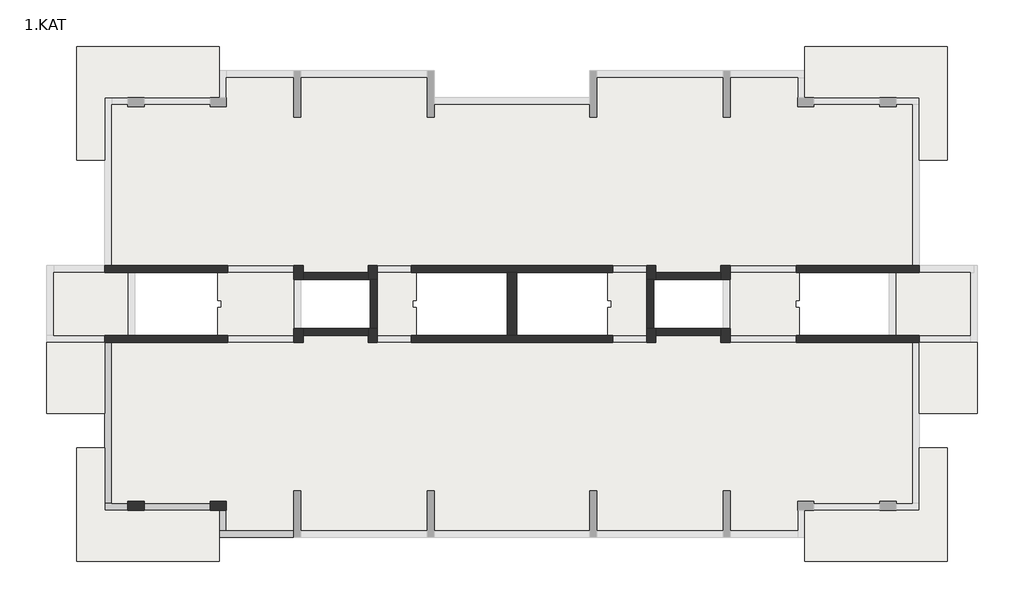
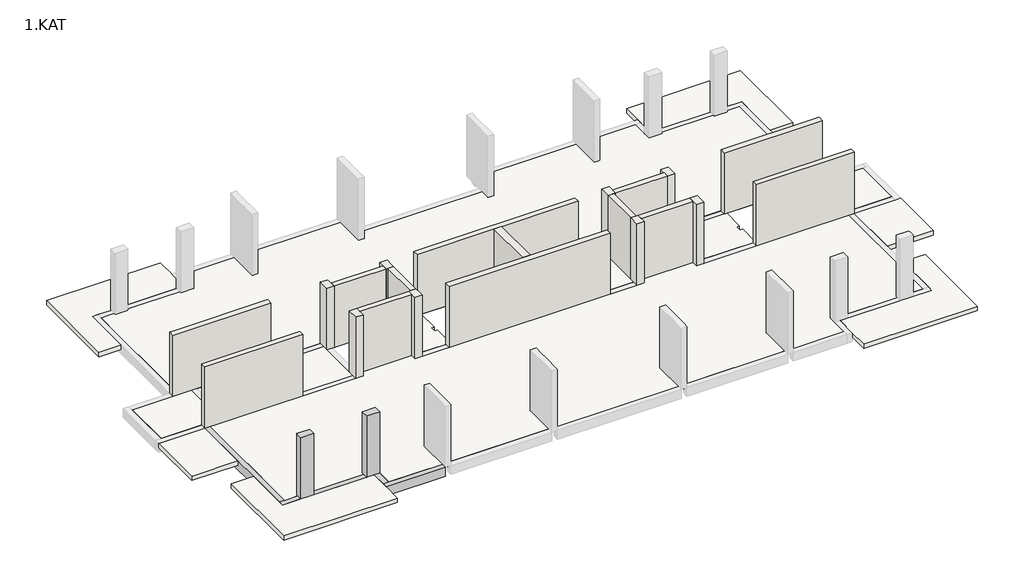
# One storey, part 1 of 2: 21 walls, 13 slabs, 5 beams, 2 columns.
"""IFC4 building model written with IfcOpenShell, lengths in millimetres."""

from ifc_helpers import new_model, si_unit, frame, origin, place, context, project, spatial, polyline, outline, extrude, faceted_brep, element, save

model = new_model("IFC4")

# Units and contexts
model_context = context("Model", 3, world=origin())
ifc_project = project(units=[si_unit("LENGTHUNIT", "METRE", prefix="MILLI")], contexts=[model_context])

# Site, building, storey
site = spatial("IfcSite", under=ifc_project)
building = spatial("IfcBuilding", under=site)
storey = spatial("IfcBuildingStorey", under=building, Name="1.KAT", Elevation=3000.0)

# Beams
placement = place(None, origin())
element("IfcBeam", 1, ObjectType="0300x0500mm", at=placement, inside=storey, context=model_context, shape_type="Brep", body=[
    faceted_brep([(-9113.9170084, -8086.2657952, 3000.0), (-9113.9170084, -7786.2657952, 3000.0), (-12013.8842187, -7786.2657952, 3000.0), (-12313.8842187, -7786.2657952, 3000.0), (-12313.8842187, -8086.2657952, 3000.0), (-9113.9170084, -7786.2657952, 2500.0), (-12013.8842187, -7786.2657952, 2500.0), (-12313.8842187, -7786.2657952, 2500.0), (-9113.9170084, -8086.2657952, 2500.0), (-12313.8842187, -8086.2657952, 2500.0)], [[[0, 1, 2, 3, 4]], [[1, 5, 6, 7, 3, 2]], [[5, 8, 9, 7, 6]], [[8, 0, 4, 9]], [[0, 8, 5, 1]], [[4, 3, 7, 9]]]),
])
element("IfcBeam", 2, ObjectType="0300x0500mm", at=placement, inside=storey, context=model_context, shape_type="Brep", body=[
    faceted_brep([(-12013.8842187, -6936.2658055, 3000.0), (-12313.8842187, -6936.2658055, 3000.0), (-12313.8842187, -7786.2657952, 3000.0), (-12013.8842187, -7786.2657952, 3000.0), (-12013.8842187, -7786.2657952, 2750.0), (-12013.8842187, -7786.2657952, 2500.0), (-12013.8842187, -6936.2658055, 2500.0), (-12013.8842187, -6936.2658055, 2750.0), (-12313.8842187, -6936.2658055, 2500.0), (-12313.8842187, -7786.2657952, 2500.0)], [[[0, 1, 2, 3]], [[0, 3, 4, 5, 6, 7]], [[8, 6, 5, 9]], [[1, 8, 9, 2]], [[1, 0, 7, 6, 8]], [[3, 2, 9, 5, 4]]]),
])
element("IfcBeam", 3, ObjectType="0300x0500mm", at=placement, inside=storey, context=model_context, shape_type="Brep", body=[
    faceted_brep([(-15563.8842187, -6936.2657952, 3000.0), (-12713.8827493, -6936.2657952, 3000.0), (-12713.8827493, -6636.2657952, 3000.0), (-15563.8842187, -6636.2657952, 3000.0), (-12713.8827493, -6636.2657952, 2750.0), (-12713.8827493, -6636.2657952, 2500.0), (-15563.8842187, -6636.2657952, 2500.0), (-15563.8842187, -6636.2657952, 2750.0), (-12713.8827493, -6936.2657952, 2500.0), (-15563.8842187, -6936.2657952, 2500.0), (-15563.8842187, -6936.2657952, 2750.0), (-12713.8827493, -6936.2657952, 2750.0)], [[[0, 1, 2, 3]], [[3, 2, 4, 5, 6, 7]], [[6, 5, 8, 9]], [[1, 0, 10, 9, 8, 11]], [[0, 3, 7, 6, 9, 10]], [[8, 5, 4, 2, 1, 11]]]),
])
element("IfcBeam", 4, ObjectType="0300x0500mm", at=placement, inside=storey, context=model_context, shape_type="Brep", body=[
    faceted_brep([(-16263.9165349, -6936.2657952, 3000.0), (-16263.9165349, -6636.2657952, 3000.0), (-16963.9160614, -6636.2657952, 3000.0), (-17263.9481409, -6636.2657952, 3000.0), (-17263.9481409, -6936.2657952, 3000.0), (-16263.9165349, -6636.2657952, 2500.0), (-16963.9481409, -6636.2657952, 2500.0), (-17263.9481409, -6636.2657952, 2500.0), (-17263.9481409, -6636.2657952, 2750.0), (-16263.9165349, -6636.2657952, 2750.0), (-16263.9165349, -6936.2657952, 2500.0), (-17263.9481409, -6936.2657952, 2500.0), (-17263.9481409, -6936.2657952, 2750.0), (-16263.9165349, -6936.2657952, 2750.0)], [[[0, 1, 2, 3, 4]], [[5, 6, 7, 8, 3, 2, 1, 9]], [[5, 10, 11, 7, 6]], [[0, 4, 12, 11, 10, 13]], [[10, 5, 9, 1, 0, 13]], [[4, 3, 8, 7, 11, 12]]]),
])
element("IfcBeam", 5, ObjectType="0300x0500mm", at=placement, inside=storey, context=model_context, shape_type="Brep", body=[
    faceted_brep([(-16963.9481409, 313.7342048, 3000.0), (-17263.9481409, 313.7342048, 3000.0), (-17263.9481409, -2761.2658013, 3000.0), (-17263.9481409, -4236.2658351, 3000.0), (-17263.9481409, -6636.2657952, 3000.0), (-16963.9481409, -6636.2657952, 3000.0), (-17263.9481409, 313.7342048, 2750.0), (-17263.9481409, 313.7342048, 2500.0), (-17263.9481409, -6636.2657952, 2500.0), (-17263.9481409, -6636.2657952, 2750.0), (-16963.9481409, 313.7342048, 2500.0), (-16963.9481409, -6636.2657952, 2500.0), (-16963.9481409, 313.7342048, 2750.0), (-16963.9481409, -6636.2657952, 2750.0)], [[[0, 1, 2, 3, 4, 5]], [[1, 6, 7, 8, 9, 4, 3, 2]], [[7, 10, 11, 8]], [[10, 12, 0, 5, 13, 11]], [[1, 0, 12, 10, 7, 6]], [[5, 4, 9, 8, 11, 13]]]),
])

# Columns
element("IfcColumn", 6, ObjectType="0700x0400mm", at=placement, inside=storey, context=model_context, shape_type="Brep", body=[
    faceted_brep([(-15563.9481409, -6536.2657952, 3000.0), (-15563.9481409, -6936.2657952, 3000.0), (-16263.9481409, -6936.2657952, 3000.0), (-16263.9481409, -6536.2657952, 3000.0), (-15563.9481409, -6536.2657952, 6250.0), (-15563.9481409, -6536.2657952, 6500.0), (-15563.9481409, -6636.2657952, 6500.0), (-15563.9481409, -6936.2657952, 6500.0), (-15563.9481409, -6936.2657952, 6000.0), (-16263.9481409, -6936.2657952, 6500.0), (-16263.9481409, -6636.2657952, 6500.0), (-16263.9481409, -6536.2657952, 6500.0), (-16263.9481409, -6536.2657952, 6250.0)], [[[0, 1, 2, 3]], [[1, 0, 4, 5, 6, 7, 8]], [[2, 1, 8, 7, 9]], [[3, 2, 9, 10, 11, 12]], [[0, 3, 12, 11, 5, 4]], [[9, 7, 6, 5, 11, 10]]]),
])
element("IfcColumn", 7, ObjectType="0700x0400mm", at=placement, inside=storey, context=model_context, shape_type="Brep", body=[
    faceted_brep([(-12013.9481409, -6536.2657952, 3000.0), (-12013.9481409, -6936.2657952, 3000.0), (-12713.9481409, -6936.2657952, 3000.0), (-12713.9481409, -6536.2657952, 3000.0), (-12013.9481409, -6536.2657952, 6250.0), (-12013.9481409, -6536.2657952, 6500.0), (-12013.9481409, -6936.2657952, 6500.0), (-12013.9481409, -6936.2657952, 6250.0), (-12713.9481409, -6936.2657952, 6500.0), (-12713.9481409, -6936.2657952, 6000.0), (-12713.9481409, -6636.2657952, 6500.0), (-12713.9481409, -6536.2657952, 6500.0), (-12713.9481409, -6536.2657952, 6250.0)], [[[0, 1, 2, 3]], [[1, 0, 4, 5, 6, 7]], [[2, 1, 7, 6, 8, 9]], [[3, 2, 9, 8, 10, 11, 12]], [[0, 3, 12, 11, 5, 4]], [[6, 5, 11, 10, 8]]]),
])

# Slabs
element("IfcSlab", 8, at=placement, inside=storey, context=model_context, shape_type="Brep", body=[
    faceted_brep([(-12313.9158961, 13063.7340343, 2750.0), (-12313.9158961, 10863.7341698, 2750.0), (-17263.9481409, 10863.7341698, 2750.0), (-17263.9481409, 8163.7342045, 2750.0), (-18463.945225, 8163.7342045, 2750.0), (-18463.945225, 13063.7340343, 2750.0), (-12313.9158961, 13063.7340343, 3000.0), (-18463.945225, 13063.7340343, 3000.0), (-18463.945225, 8163.7342045, 3000.0), (-17263.9481409, 8163.7342045, 3000.0), (-17263.9481409, 10863.7341698, 3000.0), (-16963.9481409, 10863.7341698, 3000.0), (-16263.8827493, 10863.7341698, 3000.0), (-15563.885688, 10863.7341698, 3000.0), (-12713.8842187, 10863.7341698, 3000.0), (-12313.9158961, 10863.7341698, 3000.0), (-12313.9158961, 12013.7341837, 3000.0)], [[[0, 1, 2, 3, 4, 5]], [[6, 7, 8, 9, 10, 11, 12, 13, 14, 15, 16]], [[1, 0, 6, 16, 15]], [[2, 1, 15, 14, 13, 12, 11, 10]], [[3, 2, 10, 9]], [[4, 3, 9, 8]], [[5, 4, 8, 7]], [[0, 5, 7, 6]]]),
])
element("IfcSlab", 9, at=placement, inside=storey, context=model_context, shape_type="Brep", body=[
    faceted_brep([(-17263.9481409, -2761.2658013, 2750.0), (-19763.9449611, -2761.2658013, 2750.0), (-19763.9449611, 313.7342048, 2750.0), (-17263.9481409, 313.7342048, 2750.0), (-17263.9481409, -2761.2658013, 3000.0), (-17263.9481409, 313.7342048, 3000.0), (-19763.9449611, 313.7342048, 3000.0), (-19763.9449611, -2761.2658013, 3000.0)], [[[0, 1, 2, 3]], [[4, 5, 6, 7]], [[1, 0, 4, 7]], [[2, 1, 7, 6]], [[3, 2, 6, 5]], [[0, 3, 5, 4]]]),
    faceted_brep([(17836.0513856, -2761.2658013, 2750.0), (17836.0513856, 313.7342048, 2750.0), (20335.9894835, 313.7342048, 2750.0), (20335.9894835, -2761.2658013, 2750.0), (17836.0513856, -2761.2658013, 3000.0), (20335.9894835, -2761.2658013, 3000.0), (20335.9894835, 313.7342048, 3000.0), (20036.0506847, 313.7342048, 3000.0), (17836.5510351, 313.7342048, 3000.0), (17836.0513856, 313.7342048, 3000.0)], [[[0, 1, 2, 3]], [[4, 5, 6, 7, 8, 9]], [[1, 0, 4, 9]], [[2, 1, 9, 8, 7, 6]], [[3, 2, 6, 5]], [[0, 3, 5, 4]]]),
])
element("IfcSlab", 10, at=placement, inside=storey, context=model_context, shape_type="Brep", body=[
    faceted_brep([(-16263.9481409, 10563.7341669, 2750.0), (-16263.9481409, 10463.7341808, 2750.0), (-15563.9481409, 10463.7341808, 2750.0), (-15563.9481409, 10563.7341669, 2750.0), (-12713.9481409, 10563.7341669, 2750.0), (-12713.9481409, 10463.7341808, 2750.0), (-12013.9481409, 10463.7341808, 2750.0), (-12013.9481409, 11713.7202124, 2750.0), (-9113.9486144, 11713.7202124, 2750.0), (-9113.9486144, 10013.7339345, 2750.0), (-8813.9486144, 10013.7339345, 2750.0), (-8813.9486144, 11713.7202124, 2750.0), (-3363.9486144, 11713.7202124, 2750.0), (-3363.9486144, 10013.7339345, 2750.0), (-3063.9486144, 10013.7339345, 2750.0), (-3063.9486144, 10563.7341808, 2750.0), (3636.0846397, 10563.7341808, 2750.0), (3636.0846397, 10013.7339345, 2750.0), (3936.0846397, 10013.7339345, 2750.0), (3936.0846397, 11713.7202124, 2750.0), (9386.0513856, 11713.7202124, 2750.0), (9386.0513856, 10013.7339345, 2750.0), (9686.0513856, 10013.7339345, 2750.0), (9686.0513856, 11713.7202124, 2750.0), (12586.0195429, 11713.7202124, 2750.0), (12586.0195429, 10463.7341808, 2750.0), (13286.0518591, 10463.7341808, 2750.0), (13286.0518591, 10563.7341808, 2750.0), (16136.0518591, 10563.7341808, 2750.0), (16136.0518591, 10463.7341808, 2750.0), (16836.0518591, 10463.7341808, 2750.0), (16836.0518591, 10563.7341808, 2750.0), (17536.0197797, 10563.7341808, 2750.0), (17536.0197797, 3613.7341808, 2750.0), (9286.0515745, 3613.7341808, 2750.0), (9286.0515745, 3313.750976, 2750.0), (6486.0513856, 3313.750976, 2750.0), (6486.0513856, 3613.7341808, 2750.0), (-5913.9408939, 3613.7341808, 2750.0), (-5913.9408939, 3313.7471666, 2750.0), (-8713.9486144, 3313.7471666, 2750.0), (-8713.9486144, 3613.7341818, 2750.0), (-16963.9481409, 3613.7341818, 2750.0), (-16963.9481409, 10563.7341669, 2750.0), (-16263.9481409, 10563.7341669, 3000.0), (-16963.9481409, 10563.7341669, 3000.0), (-16963.9481409, 3613.7341818, 3000.0), (-11963.4325746, 3613.7341818, 3000.0), (-9113.9486144, 3613.7341818, 3000.0), (-8713.9486144, 3613.7341818, 3000.0), (-8713.9486144, 3313.7471666, 3000.0), (-5913.9408939, 3313.7471666, 3000.0), (-5913.9408939, 3613.7341808, 3000.0), (-5513.9408939, 3613.7341808, 3000.0), (-4063.9295487, 3613.7341808, 3000.0), (4636.5672109, 3613.7341808, 3000.0), (6086.0513856, 3613.7341808, 3000.0), (6486.0513856, 3613.7341808, 3000.0), (6486.0513856, 3313.750976, 3000.0), (9286.0515745, 3313.750976, 3000.0), (9286.0515745, 3613.7341808, 3000.0), (17536.0197797, 3613.7341808, 3000.0), (17536.0197797, 10563.7341808, 3000.0), (16836.0518591, 10563.7341808, 3000.0), (16836.0518591, 10463.7341808, 3000.0), (16136.0518591, 10463.7341808, 3000.0), (16136.0518591, 10563.7341808, 3000.0), (13286.0518591, 10563.7341808, 3000.0), (13286.0518591, 10463.7341808, 3000.0), (12586.0195429, 10463.7341808, 3000.0), (12586.0195429, 10863.7344588, 3000.0), (12586.0195429, 11713.7202124, 3000.0), (9686.0513856, 11713.7202124, 3000.0), (9686.0513856, 10013.7339345, 3000.0), (9386.0513856, 10013.7339345, 3000.0), (9386.0513856, 11713.7202124, 3000.0), (3936.0846397, 11713.7202124, 3000.0), (3936.0846397, 10013.7339345, 3000.0), (3636.0846397, 10013.7339345, 3000.0), (3636.0846397, 10563.7341808, 3000.0), (-3063.9486144, 10563.7341808, 3000.0), (-3063.9486144, 10013.7339345, 3000.0), (-3363.9486144, 10013.7339345, 3000.0), (-3363.9486144, 11713.7202124, 3000.0), (-8813.9486144, 11713.7202124, 3000.0), (-8813.9486144, 10013.7339345, 3000.0), (-9113.9486144, 10013.7339345, 3000.0), (-9113.9486144, 11713.7202124, 3000.0), (-12013.9481409, 11713.7202124, 3000.0), (-12013.9481409, 10863.7341838, 3000.0), (-12013.9481409, 10463.7341808, 3000.0), (-12713.9481409, 10463.7341808, 3000.0), (-12713.9481409, 10563.7341669, 3000.0), (-15563.9481409, 10563.7341669, 3000.0), (-15563.9481409, 10463.7341808, 3000.0), (-16263.9481409, 10463.7341808, 3000.0)], [[[0, 1, 2, 3, 4, 5, 6, 7, 8, 9, 10, 11, 12, 13, 14, 15, 16, 17, 18, 19, 20, 21, 22, 23, 24, 25, 26, 27, 28, 29, 30, 31, 32, 33, 34, 35, 36, 37, 38, 39, 40, 41, 42, 43]], [[44, 45, 46, 47, 48, 49, 50, 51, 52, 53, 54, 55, 56, 57, 58, 59, 60, 61, 62, 63, 64, 65, 66, 67, 68, 69, 70, 71, 72, 73, 74, 75, 76, 77, 78, 79, 80, 81, 82, 83, 84, 85, 86, 87, 88, 89, 90, 91, 92, 93, 94, 95]], [[1, 0, 44, 95]], [[2, 1, 95, 94]], [[3, 2, 94, 93]], [[4, 3, 93, 92]], [[5, 4, 92, 91]], [[6, 5, 91, 90]], [[7, 6, 90, 89, 88]], [[8, 7, 88, 87]], [[9, 8, 87, 86]], [[10, 9, 86, 85]], [[11, 10, 85, 84]], [[12, 11, 84, 83]], [[13, 12, 83, 82]], [[14, 13, 82, 81]], [[15, 14, 81, 80]], [[16, 15, 80, 79]], [[17, 16, 79, 78]], [[18, 17, 78, 77]], [[19, 18, 77, 76]], [[20, 19, 76, 75]], [[21, 20, 75, 74]], [[22, 21, 74, 73]], [[23, 22, 73, 72]], [[24, 23, 72, 71]], [[25, 24, 71, 70, 69]], [[26, 25, 69, 68]], [[27, 26, 68, 67]], [[28, 27, 67, 66]], [[29, 28, 66, 65]], [[30, 29, 65, 64]], [[31, 30, 64, 63]], [[32, 31, 63, 62]], [[33, 32, 62, 61]], [[34, 33, 61, 60]], [[35, 34, 60, 59]], [[36, 35, 59, 58]], [[37, 36, 58, 57]], [[38, 37, 57, 56, 55, 54, 53, 52]], [[39, 38, 52, 51]], [[40, 39, 51, 50]], [[41, 40, 50, 49]], [[42, 41, 49, 48, 47, 46]], [[43, 42, 46, 45]], [[0, 43, 45, 44]]]),
])
element("IfcSlab", 11, at=placement, inside=storey, context=model_context, shape_type="Brep", body=[
    faceted_brep([(-8713.9486144, 313.7342048, 2750.0), (-8713.9486144, 613.7303849, 2750.0), (-5913.9408939, 613.7303849, 2750.0), (-5913.9408939, 313.7391534, 2750.0), (6486.0513856, 313.7391534, 2750.0), (6486.0513856, 613.7391534, 2750.0), (9286.0515745, 613.7391534, 2750.0), (9286.0515745, 313.7342048, 2750.0), (17536.0197797, 313.7342048, 2750.0), (17536.0197797, -6636.2658004, 2750.0), (16836.0518591, -6636.2658004, 2750.0), (16836.0518591, -6536.2657952, 2750.0), (16136.0518591, -6536.2657952, 2750.0), (16136.0518591, -6636.2658004, 2750.0), (13286.0518591, -6636.2658004, 2750.0), (13286.0518591, -6536.2657952, 2750.0), (12586.0518591, -6536.2657952, 2750.0), (12586.0518591, -7786.2657952, 2750.0), (9686.0513856, -7786.2657952, 2750.0), (9686.0513856, -6086.2657952, 2750.0), (9386.0513856, -6086.2657952, 2750.0), (9386.0513856, -7786.2657952, 2750.0), (3936.0846397, -7786.2657952, 2750.0), (3936.0846397, -6086.2657952, 2750.0), (3636.0846397, -6086.2657952, 2750.0), (3636.0846397, -7786.2657952, 2750.0), (-3063.9486144, -7786.2657952, 2750.0), (-3063.9486144, -6086.2657952, 2750.0), (-3363.9486144, -6086.2657952, 2750.0), (-3363.9486144, -7786.2657952, 2750.0), (-8813.9486144, -7786.2657952, 2750.0), (-8813.9486144, -6086.2657952, 2750.0), (-9113.9486144, -6086.2657952, 2750.0), (-9113.9486144, -7786.2657952, 2750.0), (-12013.9158247, -7786.2657952, 2750.0), (-12013.9158247, -6536.2657952, 2750.0), (-12713.9481409, -6536.2657952, 2750.0), (-12713.9481409, -6636.2657952, 2750.0), (-15563.9481409, -6636.2657952, 2750.0), (-15563.9481409, -6536.2657952, 2750.0), (-16263.9481409, -6536.2657952, 2750.0), (-16263.9481409, -6636.2657952, 2750.0), (-16963.9160614, -6636.2657952, 2750.0), (-16963.9160614, 313.7342048, 2750.0), (-8713.9486144, 313.7342048, 3000.0), (-9113.9486144, 313.7342048, 3000.0), (-11963.4161844, 313.7342048, 3000.0), (-16963.9160614, 313.7342048, 3000.0), (-16963.9160614, -6636.2657952, 3000.0), (-16263.9481409, -6636.2657952, 3000.0), (-16263.9481409, -6536.2657952, 3000.0), (-15563.9481409, -6536.2657952, 3000.0), (-15563.9481409, -6636.2657952, 3000.0), (-12713.9481409, -6636.2657952, 3000.0), (-12713.9481409, -6536.2657952, 3000.0), (-12013.9158247, -6536.2657952, 3000.0), (-12013.9158247, -6936.2657952, 3000.0), (-12013.9158247, -7786.2657952, 3000.0), (-9113.9486144, -7786.2657952, 3000.0), (-9113.9486144, -6086.2657952, 3000.0), (-8813.9486144, -6086.2657952, 3000.0), (-8813.9486144, -7786.2657952, 3000.0), (-3363.9486144, -7786.2657952, 3000.0), (-3363.9486144, -6086.2657952, 3000.0), (-3063.9486144, -6086.2657952, 3000.0), (-3063.9486144, -7786.2657952, 3000.0), (3636.0846397, -7786.2657952, 3000.0), (3636.0846397, -6086.2657952, 3000.0), (3936.0846397, -6086.2657952, 3000.0), (3936.0846397, -7786.2657952, 3000.0), (9386.0513856, -7786.2657952, 3000.0), (9386.0513856, -6086.2657952, 3000.0), (9686.0513856, -6086.2657952, 3000.0), (9686.0513856, -7786.2657952, 3000.0), (12586.0518591, -7786.2657952, 3000.0), (12586.0518591, -6936.2657952, 3000.0), (12586.0518591, -6536.2657952, 3000.0), (13286.0518591, -6536.2657952, 3000.0), (13286.0518591, -6636.2658004, 3000.0), (16136.0518591, -6636.2658004, 3000.0), (16136.0518591, -6536.2657952, 3000.0), (16836.0518591, -6536.2657952, 3000.0), (16836.0518591, -6636.2658004, 3000.0), (17536.0197797, -6636.2658004, 3000.0), (17536.0197797, 313.7342048, 3000.0), (12536.0671886, 313.7342048, 3000.0), (9686.0671886, 313.7342048, 3000.0), (9286.0515745, 313.7342048, 3000.0), (9286.0515745, 613.7391534, 3000.0), (6486.0513856, 613.7391534, 3000.0), (6486.0513856, 313.7391534, 3000.0), (6086.0513856, 313.7391534, 3000.0), (4636.5672109, 313.7391534, 3000.0), (-4063.9295487, 313.7391534, 3000.0), (-5513.9408939, 313.7391534, 3000.0), (-5913.9408939, 313.7391534, 3000.0), (-5913.9408939, 613.7303849, 3000.0), (-8713.9486144, 613.7303849, 3000.0)], [[[0, 1, 2, 3, 4, 5, 6, 7, 8, 9, 10, 11, 12, 13, 14, 15, 16, 17, 18, 19, 20, 21, 22, 23, 24, 25, 26, 27, 28, 29, 30, 31, 32, 33, 34, 35, 36, 37, 38, 39, 40, 41, 42, 43]], [[44, 45, 46, 47, 48, 49, 50, 51, 52, 53, 54, 55, 56, 57, 58, 59, 60, 61, 62, 63, 64, 65, 66, 67, 68, 69, 70, 71, 72, 73, 74, 75, 76, 77, 78, 79, 80, 81, 82, 83, 84, 85, 86, 87, 88, 89, 90, 91, 92, 93, 94, 95, 96, 97]], [[1, 0, 44, 97]], [[2, 1, 97, 96]], [[3, 2, 96, 95]], [[4, 3, 95, 94, 93, 92, 91, 90]], [[5, 4, 90, 89]], [[6, 5, 89, 88]], [[7, 6, 88, 87]], [[8, 7, 87, 86, 85, 84]], [[9, 8, 84, 83]], [[10, 9, 83, 82]], [[11, 10, 82, 81]], [[12, 11, 81, 80]], [[13, 12, 80, 79]], [[14, 13, 79, 78]], [[15, 14, 78, 77]], [[16, 15, 77, 76]], [[17, 16, 76, 75, 74]], [[18, 17, 74, 73]], [[19, 18, 73, 72]], [[20, 19, 72, 71]], [[21, 20, 71, 70]], [[22, 21, 70, 69]], [[23, 22, 69, 68]], [[24, 23, 68, 67]], [[25, 24, 67, 66]], [[26, 25, 66, 65]], [[27, 26, 65, 64]], [[28, 27, 64, 63]], [[29, 28, 63, 62]], [[30, 29, 62, 61]], [[31, 30, 61, 60]], [[32, 31, 60, 59]], [[33, 32, 59, 58]], [[34, 33, 58, 57]], [[35, 34, 57, 56, 55]], [[36, 35, 55, 54]], [[37, 36, 54, 53]], [[38, 37, 53, 52]], [[39, 38, 52, 51]], [[40, 39, 51, 50]], [[41, 40, 50, 49]], [[42, 41, 49, 48]], [[43, 42, 48, 47]], [[0, 43, 47, 46, 45, 44]]]),
])
element("IfcSlab", 12, at=placement, inside=storey, context=model_context, shape_type="Brep", body=[
    faceted_brep([(-16263.9481409, 3313.7341847, 2750.0), (-16263.9481409, 613.7342048, 2750.0), (-19463.9153604, 613.7342048, 2750.0), (-19463.9153604, 3313.7341847, 2750.0), (-16263.9481409, 3313.7341847, 3000.0), (-17263.9481409, 3313.7341847, 3000.0), (-19463.9153604, 3313.7341847, 3000.0), (-19463.9153604, 613.7342048, 3000.0), (-17263.9481409, 613.7342048, 3000.0), (-16263.9481409, 613.7342048, 3000.0)], [[[0, 1, 2, 3]], [[4, 5, 6, 7, 8, 9]], [[1, 0, 4, 9]], [[2, 1, 9, 8, 7]], [[3, 2, 7, 6]], [[0, 3, 6, 5, 4]]]),
])
element("IfcSlab", 13, at=placement, inside=storey, context=model_context, shape_type="Brep", body=[
    faceted_brep([(-9113.9486144, 3313.7341837, 2750.0), (-9113.9486144, 613.7342048, 2750.0), (-12393.9153604, 613.7342048, 2750.0), (-12393.9153604, 1813.7341847, 2750.0), (-12243.9153604, 1813.7341847, 2750.0), (-12243.9153604, 2113.7341847, 2750.0), (-12393.9153604, 2113.7341847, 2750.0), (-12393.9153604, 3313.7341837, 2750.0), (-9113.9486144, 3313.7341837, 3000.0), (-11963.4325746, 3313.7341837, 3000.0), (-12393.9153604, 3313.7341837, 3000.0), (-12393.9153604, 2113.7341847, 3000.0), (-12243.9153604, 2113.7341847, 3000.0), (-12243.9153604, 1813.7341847, 3000.0), (-12393.9153604, 1813.7341847, 3000.0), (-12393.9153604, 613.7342048, 3000.0), (-11963.4161844, 613.7342048, 3000.0), (-9113.9486144, 613.7342048, 3000.0), (-9113.9486144, 913.7303849, 3000.0), (-9113.9486144, 3013.7471696, 3000.0)], [[[0, 1, 2, 3, 4, 5, 6, 7]], [[8, 9, 10, 11, 12, 13, 14, 15, 16, 17, 18, 19]], [[1, 0, 8, 19, 18, 17]], [[2, 1, 17, 16, 15]], [[3, 2, 15, 14]], [[0, 7, 10, 9, 8]], [[4, 3, 14, 13]], [[5, 4, 13, 12]], [[6, 5, 12, 11]], [[7, 6, 11, 10]]]),
])
element("IfcSlab", 14, at=placement, inside=storey, context=model_context, shape_type="Brep", body=[
    faceted_brep([(9686.0513856, 3313.7341847, 2750.0), (12666.0846401, 3313.7341847, 2750.0), (12666.0846401, 2113.7341847, 2750.0), (12516.0846401, 2113.7341847, 2750.0), (12516.0846401, 1813.7341847, 2750.0), (12666.0846401, 1813.7341847, 2750.0), (12666.0846401, 613.7341847, 2750.0), (9686.0513856, 613.7341847, 2750.0), (9686.0513856, 3313.7341847, 3000.0), (9686.0513856, 3013.2296444, 3000.0), (9686.0513856, 914.2296444, 3000.0), (9686.0513856, 613.7341847, 3000.0), (12666.0846401, 613.7341847, 3000.0), (12666.0846401, 1813.7341847, 3000.0), (12516.0846401, 1813.7341847, 3000.0), (12516.0846401, 2113.7341847, 3000.0), (12666.0846401, 2113.7341847, 3000.0), (12666.0846401, 3313.7341847, 3000.0)], [[[0, 1, 2, 3, 4, 5, 6, 7]], [[8, 9, 10, 11, 12, 13, 14, 15, 16, 17]], [[0, 7, 11, 10, 9, 8]], [[7, 6, 12, 11]], [[6, 5, 13, 12]], [[1, 0, 8, 17]], [[5, 4, 14, 13]], [[4, 3, 15, 14]], [[3, 2, 16, 15]], [[2, 1, 17, 16]]]),
])
element("IfcSlab", 15, at=placement, inside=storey, context=model_context, shape_type="Brep", body=[
    faceted_brep([(-5513.9470928, 3313.7352433, 2750.0), (-3833.9153602, 3313.7352433, 2750.0), (-3833.9153602, 2113.7341847, 2750.0), (-3983.9153602, 2113.7341847, 2750.0), (-3983.9153602, 1813.7341847, 2750.0), (-3833.9153602, 1813.7341847, 2750.0), (-3833.9153602, 613.7381043, 2750.0), (-5513.9470928, 613.7381043, 2750.0), (-5513.9470928, 3313.7352433, 3000.0), (-5513.9470928, 613.7381043, 3000.0), (-4063.9295487, 613.7381043, 3000.0), (-3833.9153602, 613.7381043, 3000.0), (-3833.9153602, 1813.7341847, 3000.0), (-3983.9153602, 1813.7341847, 3000.0), (-3983.9153602, 2113.7341847, 3000.0), (-3833.9153602, 2113.7341847, 3000.0), (-3833.9153602, 3313.7352433, 3000.0), (-4063.9295487, 3313.7352433, 3000.0)], [[[0, 1, 2, 3, 4, 5, 6, 7]], [[8, 9, 10, 11, 12, 13, 14, 15, 16, 17]], [[1, 0, 8, 17, 16]], [[2, 1, 16, 15]], [[3, 2, 15, 14]], [[4, 3, 14, 13]], [[5, 4, 13, 12]], [[6, 5, 12, 11]], [[7, 6, 11, 10, 9]], [[0, 7, 9, 8]]]),
])
element("IfcSlab", 16, at=placement, inside=storey, context=model_context, shape_type="Brep", body=[
    faceted_brep([(6086.0498641, 3313.7352433, 2750.0), (6086.0498641, 613.7381043, 2750.0), (4406.0181314, 613.7381043, 2750.0), (4406.0181314, 1813.7341847, 2750.0), (4556.0181314, 1813.7341847, 2750.0), (4556.0181314, 2113.7341847, 2750.0), (4406.0181314, 2113.7341847, 2750.0), (4406.0181314, 3313.7352433, 2750.0), (6086.0498641, 3313.7352433, 3000.0), (4636.5672109, 3313.7352433, 3000.0), (4406.0181314, 3313.7352433, 3000.0), (4406.0181314, 2113.7341847, 3000.0), (4556.0181314, 2113.7341847, 3000.0), (4556.0181314, 1813.7341847, 3000.0), (4406.0181314, 1813.7341847, 3000.0), (4406.0181314, 613.7381043, 3000.0), (4636.5672109, 613.7381043, 3000.0), (6086.0498641, 613.7381043, 3000.0)], [[[0, 1, 2, 3, 4, 5, 6, 7]], [[8, 9, 10, 11, 12, 13, 14, 15, 16, 17]], [[0, 7, 10, 9, 8]], [[7, 6, 11, 10]], [[6, 5, 12, 11]], [[5, 4, 13, 12]], [[4, 3, 14, 13]], [[3, 2, 15, 14]], [[2, 1, 17, 16, 15]], [[1, 0, 8, 17]]]),
])
element("IfcSlab", 17, at=placement, inside=storey, context=model_context, shape_type="Brep", body=[
    faceted_brep([(20036.0506847, 3313.2341943, 2750.0), (20036.0506847, 613.7342048, 2750.0), (16836.0538672, 613.7342048, 2750.0), (16836.0538672, 3313.2341943, 2750.0), (20036.0506847, 3313.2341943, 3000.0), (16836.0538672, 3313.2341943, 3000.0), (16836.0538672, 613.7342048, 3000.0), (17836.5510351, 613.7342048, 3000.0), (20036.0506847, 613.7342048, 3000.0)], [[[0, 1, 2, 3]], [[4, 5, 6, 7, 8]], [[1, 0, 4, 8]], [[2, 1, 8, 7, 6]], [[3, 2, 6, 5]], [[0, 3, 5, 4]]]),
])
element("IfcSlab", 18, at=placement, inside=storey, context=model_context, shape_type="Brep", body=[
    faceted_brep([(12886.0511489, 13063.7342735, 2750.0), (19036.0552897, 13063.7342735, 2750.0), (19036.0552897, 8163.7342066, 2750.0), (17836.0513856, 8163.7342066, 2750.0), (17836.0513856, 10863.7341837, 2750.0), (12886.0511489, 10863.7341837, 2750.0), (12886.0511489, 13063.7342735, 3000.0), (12886.0511489, 12013.7341837, 3000.0), (12886.0511489, 11713.7341837, 3000.0), (12886.0511489, 10863.7341837, 3000.0), (13286.0513856, 10863.7341837, 3000.0), (16136.0513856, 10863.7341837, 3000.0), (16836.0513856, 10863.7341837, 3000.0), (17836.0513856, 10863.7341837, 3000.0), (17836.0513856, 10563.7341837, 3000.0), (17836.0513856, 8163.7342066, 3000.0), (19036.0552897, 8163.7342066, 3000.0), (19036.0552897, 13063.7342735, 3000.0)], [[[0, 1, 2, 3, 4, 5]], [[6, 7, 8, 9, 10, 11, 12, 13, 14, 15, 16, 17]], [[1, 0, 6, 17]], [[2, 1, 17, 16]], [[3, 2, 16, 15]], [[4, 3, 15, 14, 13]], [[5, 4, 13, 12, 11, 10, 9]], [[0, 5, 9, 8, 7, 6]]]),
])
element("IfcSlab", 19, at=placement, inside=storey, context=model_context, shape_type="Brep", body=[
    faceted_brep([(-12313.9158961, -9136.2656649, 2750.0), (-18463.945225, -9136.2656649, 2750.0), (-18463.945225, -4236.2658351, 2750.0), (-17263.9481409, -4236.2658351, 2750.0), (-17263.9481409, -6936.2658004, 2750.0), (-12313.9158961, -6936.2658004, 2750.0), (-12313.9158961, -9136.2656649, 3000.0), (-12313.9158961, -8086.2657952, 3000.0), (-12313.9158961, -7786.2657952, 3000.0), (-12313.9158961, -6936.2658004, 3000.0), (-12713.8827493, -6936.2658004, 3000.0), (-15563.8842187, -6936.2658004, 3000.0), (-16263.9165349, -6936.2658004, 3000.0), (-17263.9481409, -6936.2658004, 3000.0), (-17263.9481409, -6636.2657952, 3000.0), (-17263.9481409, -4236.2658351, 3000.0), (-18463.945225, -4236.2658351, 3000.0), (-18463.945225, -9136.2656649, 3000.0)], [[[0, 1, 2, 3, 4, 5]], [[6, 7, 8, 9, 10, 11, 12, 13, 14, 15, 16, 17]], [[0, 5, 9, 8, 7, 6]], [[5, 4, 13, 12, 11, 10, 9]], [[4, 3, 15, 14, 13]], [[3, 2, 16, 15]], [[2, 1, 17, 16]], [[1, 0, 6, 17]]]),
])
element("IfcSlab", 20, at=placement, inside=storey, context=model_context, shape_type="Brep", body=[
    faceted_brep([(12886.0511489, -9136.265904, 2750.0), (12886.0511489, -6936.2658143, 2750.0), (17836.0513856, -6936.2658143, 2750.0), (17836.0513856, -4236.2658371, 2750.0), (19036.0552897, -4236.2658371, 2750.0), (19036.0552897, -9136.265904, 2750.0), (12886.0511489, -9136.265904, 3000.0), (19036.0552897, -9136.265904, 3000.0), (19036.0552897, -4236.2658371, 3000.0), (17836.0513856, -4236.2658371, 3000.0), (17836.0513856, -6636.2657952, 3000.0), (17836.0513856, -6936.2658143, 3000.0), (16836.0834651, -6936.2658143, 3000.0), (16136.0834651, -6936.2658143, 3000.0), (13286.0834651, -6936.2658143, 3000.0), (12886.0511489, -6936.2658143, 3000.0), (12886.0511489, -8086.2657952, 3000.0)], [[[0, 1, 2, 3, 4, 5]], [[6, 7, 8, 9, 10, 11, 12, 13, 14, 15, 16]], [[0, 5, 7, 6]], [[5, 4, 8, 7]], [[4, 3, 9, 8]], [[3, 2, 11, 10, 9]], [[2, 1, 15, 14, 13, 12, 11]], [[1, 0, 6, 16, 15]]]),
])

# Walls
element("IfcWall", 21, at=placement, inside=storey, context=model_context, shape_type="Brep", body=[
    faceted_brep([(-17263.9481409, 3313.7341837, 3000.0), (-11963.9481409, 3313.7341837, 3000.0), (-11963.9481409, 3313.7341837, 6500.0), (-17263.9481409, 3313.7341837, 6500.0), (-17263.9481409, 3613.7341837, 3000.0), (-17263.9481409, 3613.7341837, 6000.0), (-17263.9481409, 3613.7341837, 6500.0), (-16963.9481409, 3613.7341837, 6500.0), (-11963.9481409, 3613.7341837, 6500.0), (-11963.9481409, 3613.7341837, 3000.0)], [[[0, 1, 2, 3]], [[4, 5, 6, 7, 8, 9]], [[1, 0, 4, 9]], [[2, 1, 9, 8]], [[3, 2, 8, 7, 6]], [[0, 3, 6, 5, 4]]]),
])
element("IfcWall", 22, at=placement, inside=storey, context=model_context, shape_type="SweptSolid", body=[
    extrude(outline(polyline([(-11963.9481409, 313.7342048), (-17263.9481409, 313.7342048), (-17263.9481409, 613.7342048), (-11963.9481409, 613.7342048), (-11963.9481409, 313.7342048)])), frame((0.0, 0.0, 3000.0), z_axis=(0.0, 0.0, 1.0), x_axis=(1.0, 0.0, 0.0)), (0.0, 0.0, 1.0), 3500.0),
])
element("IfcWall", 23, at=placement, inside=storey, context=model_context, shape_type="SweptSolid", body=[
    extrude(outline(polyline([(-5913.9408939, 3013.7471696), (-8713.9486144, 3013.7471696), (-8713.9486144, 3313.7471696), (-5913.9408939, 3313.7471696), (-5913.9408939, 3013.7471696)])), frame((0.0, 0.0, 3000.0), z_axis=(0.0, 0.0, 1.0), x_axis=(1.0, 0.0, 0.0)), (0.0, 0.0, 1.0), 3500.0),
])
element("IfcWall", 24, at=placement, inside=storey, context=model_context, shape_type="SweptSolid", body=[
    extrude(outline(polyline([(-5813.9563348, 913.7303849), (-5813.9563348, 3013.7471696), (-5513.9563348, 3013.7471696), (-5513.9563348, 913.7303849), (-5813.9563348, 913.7303849)])), frame((0.0, 0.0, 3000.0), z_axis=(0.0, 0.0, 1.0), x_axis=(1.0, 0.0, 0.0)), (0.0, 0.0, 1.0), 3500.0),
])
element("IfcWall", 25, at=placement, inside=storey, context=model_context, shape_type="SweptSolid", body=[
    extrude(outline(polyline([(-8713.9486144, 913.7303849), (-5913.9408939, 913.7303849), (-5913.9408939, 613.7303849), (-8713.9486144, 613.7303849), (-8713.9486144, 913.7303849)])), frame((0.0, 0.0, 3000.0), z_axis=(0.0, 0.0, 1.0), x_axis=(1.0, 0.0, 0.0)), (0.0, 0.0, 1.0), 3500.0),
])
element("IfcWall", 26, at=placement, inside=storey, context=model_context, shape_type="SweptSolid", body=[
    extrude(outline(polyline([(4636.0514302, 3313.7341837), (-4063.9498095, 3313.7341837), (-4063.9498095, 3613.7341837), (4636.0514302, 3613.7341837), (4636.0514302, 3313.7341837)])), frame((0.0, 0.0, 3000.0), z_axis=(0.0, 0.0, 1.0), x_axis=(1.0, 0.0, 0.0)), (0.0, 0.0, 1.0), 3500.0),
])
element("IfcWall", 27, at=placement, inside=storey, context=model_context, shape_type="SweptSolid", body=[
    extrude(outline(polyline([(4636.0514302, 313.7342048), (-4063.9498095, 313.7342048), (-4063.9498095, 613.7342048), (4636.0514302, 613.7342048), (4636.0514302, 313.7342048)])), frame((0.0, 0.0, 3000.0), z_axis=(0.0, 0.0, 1.0), x_axis=(1.0, 0.0, 0.0)), (0.0, 0.0, 1.0), 3500.0),
])
element("IfcWall", 28, at=placement, inside=storey, context=model_context, shape_type="SweptSolid", body=[
    extrude(outline(polyline([(6486.0513856, 3313.7509789), (9286.0515745, 3313.7509789), (9286.0515745, 3013.7509789), (6486.0513856, 3013.7509789), (6486.0513856, 3313.7509789)])), frame((0.0, 0.0, 3000.0), z_axis=(0.0, 0.0, 1.0), x_axis=(1.0, 0.0, 0.0)), (0.0, 0.0, 1.0), 3500.0),
])
element("IfcWall", 29, at=placement, inside=storey, context=model_context, shape_type="SweptSolid", body=[
    extrude(outline(polyline([(6086.0513856, 914.2296306), (6086.0513856, 3013.7509789), (6386.0513856, 3013.7509789), (6386.0513856, 914.2296306), (6086.0513856, 914.2296306)])), frame((0.0, 0.0, 3000.0), z_axis=(0.0, 0.0, 1.0), x_axis=(1.0, 0.0, 0.0)), (0.0, 0.0, 1.0), 3500.0),
])
element("IfcWall", 30, at=placement, inside=storey, context=model_context, shape_type="SweptSolid", body=[
    extrude(outline(polyline([(9286.0515745, 613.7391534), (6486.0513856, 613.7391534), (6486.0513856, 913.7391534), (9286.0515745, 913.7391534), (9286.0515745, 613.7391534)])), frame((0.0, 0.0, 3000.0), z_axis=(0.0, 0.0, 1.0), x_axis=(1.0, 0.0, 0.0)), (0.0, 0.0, 1.0), 3500.0),
])
element("IfcWall", 31, at=placement, inside=storey, context=model_context, shape_type="SweptSolid", body=[
    extrude(outline(polyline([(17836.0513856, 3313.7341837), (12536.0513856, 3313.7341837), (12536.0513856, 3613.7341837), (17836.0513856, 3613.7341837), (17836.0513856, 3313.7341837)])), frame((0.0, 0.0, 3000.0), z_axis=(0.0, 0.0, 1.0), x_axis=(1.0, 0.0, 0.0)), (0.0, 0.0, 1.0), 3500.0),
])
element("IfcWall", 32, at=placement, inside=storey, context=model_context, shape_type="SweptSolid", body=[
    extrude(outline(polyline([(17836.0513856, 313.7342048), (12536.0513856, 313.7342048), (12536.0513856, 613.7342048), (17836.0513856, 613.7342048), (17836.0513856, 313.7342048)])), frame((0.0, 0.0, 3000.0), z_axis=(0.0, 0.0, 1.0), x_axis=(1.0, 0.0, 0.0)), (0.0, 0.0, 1.0), 3500.0),
])
element("IfcWall", 33, at=placement, inside=storey, context=model_context, shape_type="SweptSolid", body=[
    extrude(outline(polyline([(-9113.9486144, 3013.7471696), (-9113.9486144, 3613.7341837), (-8713.9486144, 3613.7341837), (-8713.9486144, 3013.7471696), (-9113.9486144, 3013.7471696)])), frame((0.0, 0.0, 3000.0), z_axis=(0.0, 0.0, 1.0), x_axis=(1.0, 0.0, 0.0)), (0.0, 0.0, 1.0), 3500.0),
])
element("IfcWall", 34, at=placement, inside=storey, context=model_context, shape_type="Brep", body=[
    faceted_brep([(-5513.9486144, 313.7342048, 3000.0), (-5513.9486144, 913.7303849, 3000.0), (-5513.9486144, 913.7303849, 6500.0), (-5513.9486144, 613.7381043, 6500.0), (-5513.9486144, 313.7342048, 6500.0), (-5913.9486144, 313.7342048, 3000.0), (-5913.9486144, 313.7342048, 6500.0), (-5913.9486144, 913.7303849, 6500.0), (-5913.9486144, 913.7303849, 3000.0), (-5813.9563348, 913.7303849, 3000.0), (-5813.9563348, 913.7303849, 6500.0)], [[[0, 1, 2, 3, 4]], [[5, 6, 7, 8]], [[1, 0, 5, 8, 9]], [[2, 1, 9, 8, 7, 10]], [[4, 3, 2, 10, 7, 6]], [[0, 4, 6, 5]]]),
])
element("IfcWall", 35, at=placement, inside=storey, context=model_context, shape_type="SweptSolid", body=[
    extrude(outline(polyline([(-9113.9486144, 313.7342048), (-9113.9486144, 913.7303849), (-8713.9486144, 913.7303849), (-8713.9486144, 313.7342048), (-9113.9486144, 313.7342048)])), frame((0.0, 0.0, 3000.0), z_axis=(0.0, 0.0, 1.0), x_axis=(1.0, 0.0, 0.0)), (0.0, 0.0, 1.0), 3500.0),
])
element("IfcWall", 36, at=placement, inside=storey, context=model_context, shape_type="SweptSolid", body=[
    extrude(outline(polyline([(86.0513856, 613.7342048), (86.0513856, 3313.7341837), (486.0513856, 3313.7341837), (486.0513856, 613.7342048), (86.0513856, 613.7342048)])), frame((0.0, 0.0, 3000.0), z_axis=(0.0, 0.0, 1.0), x_axis=(1.0, 0.0, 0.0)), (0.0, 0.0, 1.0), 3500.0),
])
element("IfcWall", 37, at=placement, inside=storey, context=model_context, shape_type="SweptSolid", body=[
    extrude(outline(polyline([(6086.0513856, 3013.7509789), (6086.0513856, 3613.7341837), (6486.0513856, 3613.7341837), (6486.0513856, 3013.7509789), (6086.0513856, 3013.7509789)])), frame((0.0, 0.0, 3000.0), z_axis=(0.0, 0.0, 1.0), x_axis=(1.0, 0.0, 0.0)), (0.0, 0.0, 1.0), 3500.0),
])
element("IfcWall", 38, at=placement, inside=storey, context=model_context, shape_type="Brep", body=[
    faceted_brep([(9286.0513856, 3613.7341837, 3000.0), (9286.0513856, 3013.7509789, 3000.0), (9286.0513856, 3013.7509789, 6500.0), (9286.0513856, 3613.7341837, 6500.0), (9686.0513856, 3613.7341837, 3000.0), (9686.0513856, 3613.7341837, 6500.0), (9686.0513856, 3313.7341847, 6500.0), (9686.0513856, 3013.7509789, 6500.0), (9686.0513856, 3013.7509789, 3000.0)], [[[0, 1, 2, 3]], [[4, 5, 6, 7, 8]], [[1, 0, 4, 8]], [[2, 1, 8, 7]], [[3, 2, 7, 6, 5]], [[0, 3, 5, 4]]]),
])
element("IfcWall", 39, at=placement, inside=storey, context=model_context, shape_type="SweptSolid", body=[
    extrude(outline(polyline([(9286.0513856, 313.7342048), (9286.0513856, 914.2296306), (9686.0513856, 914.2296306), (9686.0513856, 313.7342048), (9286.0513856, 313.7342048)])), frame((0.0, 0.0, 3000.0), z_axis=(0.0, 0.0, 1.0), x_axis=(1.0, 0.0, 0.0)), (0.0, 0.0, 1.0), 3500.0),
])
element("IfcWall", 40, at=placement, inside=storey, context=model_context, shape_type="SweptSolid", body=[
    extrude(outline(polyline([(6086.0513856, 313.7342048), (6086.0513856, 914.2296306), (6486.0513856, 914.2296306), (6486.0513856, 313.7342048), (6086.0513856, 313.7342048)])), frame((0.0, 0.0, 3000.0), z_axis=(0.0, 0.0, 1.0), x_axis=(1.0, 0.0, 0.0)), (0.0, 0.0, 1.0), 3500.0),
])
element("IfcWall", 41, at=placement, inside=storey, context=model_context, shape_type="Brep", body=[
    faceted_brep([(-5913.9486144, 3613.7341837, 3000.0), (-5913.9486144, 3013.7471696, 3000.0), (-5913.9486144, 3013.7471696, 6500.0), (-5913.9486144, 3613.7341837, 6500.0), (-5513.9486144, 3613.7341837, 3000.0), (-5513.9486144, 3613.7341837, 6500.0), (-5513.9486144, 3313.7352433, 6500.0), (-5513.9486144, 3013.7471696, 6500.0), (-5513.9486144, 3013.7471696, 3000.0), (-5813.9563348, 3013.7471696, 3000.0), (-5813.9563348, 3013.7471696, 6500.0)], [[[0, 1, 2, 3]], [[4, 5, 6, 7, 8]], [[1, 0, 4, 8, 9]], [[2, 1, 9, 8, 7, 10]], [[3, 2, 10, 7, 6, 5]], [[0, 3, 5, 4]]]),
])

save(model, "model.ifc")
